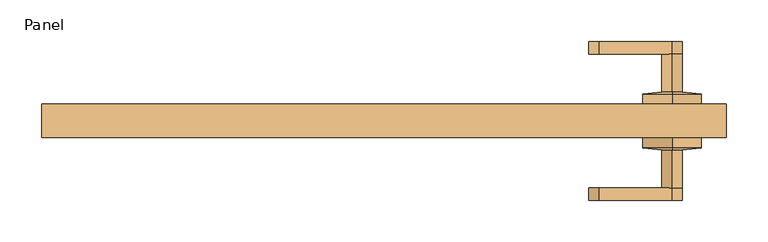
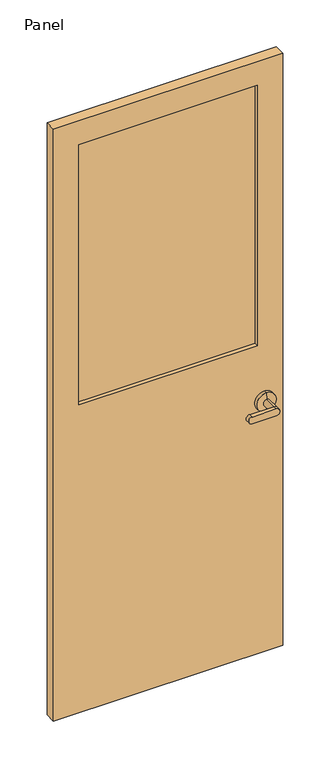
"""IFC4 building model written with IfcOpenShell, lengths in millimetres: door geometry, Panel."""

from ifc_helpers import new_model, si_unit, frame, origin, place, context, project, spatial, polyline, circle_curve, outline, extrude, source, transform, mapped, element, save
from ifc_brep_helpers import plane_surface, cylinder_surface, revolved_surface, advanced_brep


def panel_f77ce6a2(model_context):
    return source(origin(), model_context, "Body", "SolidModel", [
        advanced_brep(
        [(345.0, -20.0, 915.0), (345.0, -32.5, 915.0), (345.0, -32.5, 985.0), (345.0, -20.0, 985.0), (345.0, -20.0, 950.0), (345.0, -35.0, 937.5), (345.0, -35.0, 962.5), (345.0, -80.0, 962.5), (345.0, -80.0, 937.5), (257.5490766, -80.0, 962.5), (257.5490766, -80.0, 937.5), (257.5490766, -95.0, 962.5), (257.5490766, -95.0, 937.5), (345.0, -95.0, 937.5), (345.0, -95.0, 962.5)],
        [
            (0, 1),
            (1, 2, circle_curve(frame((345.0, -32.5, 950.0), z_axis=(0.0, 1.0, 0.0), x_axis=(0.0, 0.0, 1.0)), 35.0)),
            (2, 3),
            (3, 0, circle_curve(frame((345.0, -20.0, 950.0), z_axis=(0.0, -1.0, 0.0), x_axis=(0.0, 0.0, 1.0)), 35.0)),
            (2, 1, circle_curve(frame((345.0, -32.5, 950.0), z_axis=(0.0, 1.0, 0.0), x_axis=(0.0, 0.0, 1.0)), 35.0)),
            (0, 3, circle_curve(frame((345.0, -20.0, 950.0), z_axis=(0.0, -1.0, 0.0), x_axis=(0.0, 0.0, 1.0)), 35.0)),
            (3, 4),
            (4, 0),
            (1, 5),
            (5, 6, circle_curve(frame((345.0, -35.0, 950.0), z_axis=(0.0, 1.0, 0.0), x_axis=(0.0, 0.0, 1.0)), 12.5)),
            (6, 2),
            (6, 5, circle_curve(frame((345.0, -35.0, 950.0), z_axis=(0.0, 1.0, 0.0), x_axis=(0.0, 0.0, 1.0)), 12.5)),
            (6, 7),
            (7, 8, circle_curve(frame((345.0, -80.0, 950.0), z_axis=(0.0, 1.0, 0.0), x_axis=(0.0, 0.0, 1.0)), 12.5)),
            (8, 5),
            (8, 7, circle_curve(frame((345.0, -80.0, 950.0), z_axis=(0.0, 1.0, 0.0), x_axis=(0.0, 0.0, 1.0)), 12.5)),
            (9, 7),
            (8, 10),
            (10, 9, circle_curve(frame((257.5490766, -80.0, 950.0), z_axis=(0.0, 1.0, 0.0), x_axis=(1.0, 0.0, 0.0)), 12.5)),
            (11, 12, circle_curve(frame((257.5490766, -95.0, 950.0), z_axis=(0.0, -1.0, 0.0), x_axis=(1.0, 0.0, 0.0)), 12.5)),
            (12, 13),
            (13, 14, circle_curve(frame((345.0, -95.0, 950.0), z_axis=(0.0, -1.0, 0.0), x_axis=(1.0, 0.0, 0.0)), 12.5)),
            (14, 11),
            (10, 12),
            (11, 9),
            (8, 13),
            (7, 14),
        ],
        [
            cylinder_surface(frame((345.0, -50.3527618, 950.0), z_axis=(0.0, 1.0, 0.0), x_axis=(0.0, 0.0, 1.0)), 35.0),
            plane_surface(frame((345.0, -20.0, 950.0), z_axis=(0.0, 1.0, 0.0), x_axis=(0.0, 0.0, 1.0))),
            revolved_surface(polyline([(345.0, -35.0, 962.5), (345.0, -32.5, 985.0)]), (345.0, -50.3527618, 950.0), (0.0, 1.0, 0.0)),
            cylinder_surface(frame((345.0, -80.0, 950.0), z_axis=(0.0, 1.0, 0.0), x_axis=(0.0, 0.0, 1.0)), 12.5),
            plane_surface(frame((270.0490766, -80.0, 950.0), z_axis=(0.0, 1.0, 0.0), x_axis=(0.0, 0.0, 1.0))),
            plane_surface(frame((270.0490766, -95.0, 950.0), z_axis=(0.0, -1.0, 0.0), x_axis=(0.0, 0.0, -1.0))),
            cylinder_surface(frame((257.5490766, -95.0, 950.0), z_axis=(0.0, 1.0, 0.0), x_axis=(1.0, 0.0, 0.0)), 12.5),
            plane_surface(frame((257.5490766, -80.0, 937.5), z_axis=(0.0, 0.0, -1.0), x_axis=(0.0, -1.0, 0.0))),
            cylinder_surface(frame((345.0, -95.0, 950.0), z_axis=(0.0, 1.0, 0.0), x_axis=(1.0, 0.0, 0.0)), 12.5),
            plane_surface(frame((345.0, -80.0, 962.5), z_axis=(0.0, 0.0, 1.0), x_axis=(0.0, -1.0, 0.0))),
        ],
        [
            (0, [[1, 2, 3, 4]]),
            (0, [[5, -1, 6, -3]]),
            (1, [[7, 8, -4]]),
            (1, [[-8, -7, -6]]),
            (2, [[9, 10, 11, -2]]),
            (2, [[-11, 12, -9, -5]]),
            (3, [[-12, 13, 14, 15]]),
            (3, [[16, -13, -10, -15]]),
            (4, [[17, -16, 18, 19]]),
            (5, [[20, 21, 22, 23]]),
            (6, [[24, -20, 25, -19]]),
            (7, [[26, -21, -24, -18]]),
            (8, [[-26, -14, 27, -22]]),
            (9, [[-25, -23, -27, -17]]),
        ],
    ),
        advanced_brep(
        [(345.0, 20.0, 915.0), (345.0, 20.0, 985.0), (345.0, 32.5, 985.0), (345.0, 32.5, 915.0), (345.0, 20.0, 950.0), (345.0, 35.0, 962.5), (345.0, 35.0, 937.5), (345.0, 80.0, 937.5), (345.0, 80.0, 962.5), (257.5490766, 80.0, 962.5), (257.5490766, 80.0, 937.5), (257.5490766, 95.0, 962.5), (345.0, 95.0, 962.5), (345.0, 95.0, 937.5), (257.5490766, 95.0, 937.5)],
        [
            (0, 1, circle_curve(frame((345.0, 20.0, 950.0), z_axis=(0.0, 1.0, 0.0), x_axis=(0.0, 0.0, 1.0)), 35.0)),
            (1, 2),
            (2, 3, circle_curve(frame((345.0, 32.5, 950.0), z_axis=(0.0, -1.0, 0.0), x_axis=(0.0, 0.0, 1.0)), 35.0)),
            (3, 0),
            (1, 0, circle_curve(frame((345.0, 20.0, 950.0), z_axis=(0.0, 1.0, 0.0), x_axis=(0.0, 0.0, 1.0)), 35.0)),
            (3, 2, circle_curve(frame((345.0, 32.5, 950.0), z_axis=(0.0, -1.0, 0.0), x_axis=(0.0, 0.0, 1.0)), 35.0)),
            (0, 4),
            (4, 1),
            (2, 5),
            (5, 6, circle_curve(frame((345.0, 35.0, 950.0), z_axis=(0.0, -1.0, 0.0), x_axis=(0.0, 0.0, 1.0)), 12.5)),
            (6, 3),
            (6, 5, circle_curve(frame((345.0, 35.0, 950.0), z_axis=(0.0, -1.0, 0.0), x_axis=(0.0, 0.0, 1.0)), 12.5)),
            (6, 7),
            (7, 8, circle_curve(frame((345.0, 80.0, 950.0), z_axis=(0.0, -1.0, 0.0), x_axis=(0.0, 0.0, 1.0)), 12.5)),
            (8, 5),
            (8, 7, circle_curve(frame((345.0, 80.0, 950.0), z_axis=(0.0, -1.0, 0.0), x_axis=(0.0, 0.0, 1.0)), 12.5)),
            (9, 10, circle_curve(frame((257.5490766, 80.0, 950.0), z_axis=(0.0, -1.0, 0.0), x_axis=(1.0, 0.0, 0.0)), 12.5)),
            (10, 7),
            (8, 9),
            (11, 12),
            (12, 13, circle_curve(frame((345.0, 95.0, 950.0), z_axis=(0.0, 1.0, 0.0), x_axis=(1.0, 0.0, 0.0)), 12.5)),
            (13, 14),
            (14, 11, circle_curve(frame((257.5490766, 95.0, 950.0), z_axis=(0.0, 1.0, 0.0), x_axis=(1.0, 0.0, 0.0)), 12.5)),
            (9, 11),
            (14, 10),
            (13, 7),
            (12, 8),
        ],
        [
            cylinder_surface(frame((345.0, 50.3527618, 950.0), z_axis=(0.0, -1.0, 0.0), x_axis=(0.0, 0.0, 1.0)), 35.0),
            plane_surface(frame((345.0, 20.0, 950.0), z_axis=(0.0, -1.0, 0.0), x_axis=(0.0, 0.0, 1.0))),
            revolved_surface(polyline([(345.0, 35.0, 962.5), (345.0, 32.5, 985.0)]), (345.0, 50.3527618, 950.0), (0.0, -1.0, 0.0)),
            cylinder_surface(frame((345.0, 80.0, 950.0), z_axis=(0.0, -1.0, 0.0), x_axis=(0.0, 0.0, 1.0)), 12.5),
            plane_surface(frame((270.0490766, 80.0, 950.0), z_axis=(0.0, -1.0, 0.0), x_axis=(0.0, 0.0, 1.0))),
            plane_surface(frame((270.0490766, 95.0, 950.0), z_axis=(0.0, 1.0, 0.0), x_axis=(0.0, 0.0, -1.0))),
            cylinder_surface(frame((257.5490766, 95.0, 950.0), z_axis=(0.0, -1.0, 0.0), x_axis=(1.0, 0.0, 0.0)), 12.5),
            plane_surface(frame((257.5490766, 80.0, 937.5), z_axis=(0.0, 0.0, -1.0), x_axis=(0.0, 1.0, 0.0))),
            cylinder_surface(frame((345.0, 95.0, 950.0), z_axis=(0.0, -1.0, 0.0), x_axis=(1.0, 0.0, 0.0)), 12.5),
            plane_surface(frame((345.0, 80.0, 962.5), z_axis=(0.0, 0.0, 1.0), x_axis=(0.0, 1.0, 0.0))),
        ],
        [
            (0, [[1, 2, 3, 4]]),
            (0, [[-2, 5, -4, 6]]),
            (1, [[-1, 7, 8]]),
            (1, [[-5, -8, -7]]),
            (2, [[-3, 9, 10, 11]]),
            (2, [[-6, -11, 12, -9]]),
            (3, [[13, 14, 15, -12]]),
            (3, [[-13, -10, -15, 16]]),
            (4, [[17, 18, -16, 19]]),
            (5, [[20, 21, 22, 23]]),
            (6, [[-17, 24, -23, 25]]),
            (7, [[-18, -25, -22, 26]]),
            (8, [[-21, 27, -14, -26]]),
            (9, [[-19, -27, -20, -24]]),
        ],
    ),
        extrude(outline(polyline([(320.0, -5.0), (-320.0, -5.0), (-320.0, 5.0), (320.0, 5.0), (320.0, -5.0)])), frame((0.0, 0.0, 1165.0), z_axis=(0.0, 0.0, 1.0), x_axis=(1.0, 0.0, 0.0)), (0.0, 0.0, 1.0), 985.0),
        extrude(outline(polyline([(2240.0, -410.0), (0.0, -410.0), (0.0, 410.0), (2240.0, 410.0), (2240.0, -410.0)]), holes=[polyline([(2150.0, -320.0), (2150.0, 320.0), (1165.0, 320.0), (1165.0, -320.0), (2150.0, -320.0)])]), frame((0.0, -20.0, 0.0), z_axis=(0.0, 1.0, 0.0), x_axis=(0.0, 0.0, 1.0)), (0.0, 0.0, 1.0), 40.0),
    ])


if __name__ == "__main__":
    model = new_model("IFC4")
    model_context = context("Model", 3, world=origin())
    ifc_project = project(units=[si_unit("LENGTHUNIT", "METRE", prefix="MILLI")], contexts=[model_context])
    site = spatial("IfcSite", under=ifc_project)
    building = spatial("IfcBuilding", under=site)
    placement = place(None, origin())
    panel_shape = panel_f77ce6a2(model_context)
    element("IfcDoor", 1, ObjectType="Panel", at=placement, inside=building, context=model_context, shape_type="MappedRepresentation", body=[
        mapped(panel_shape, transform((0.0, 0.0, 0.0), x_axis=(1.0, 0.0, 0.0), y_axis=(0.0, 1.0, 0.0), z_axis=(0.0, 0.0, 1.0))),
    ])
    save(model, "model.ifc")
